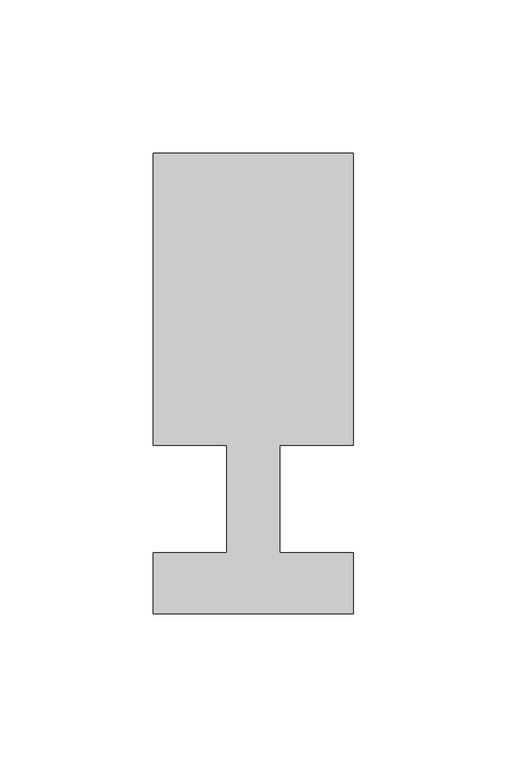
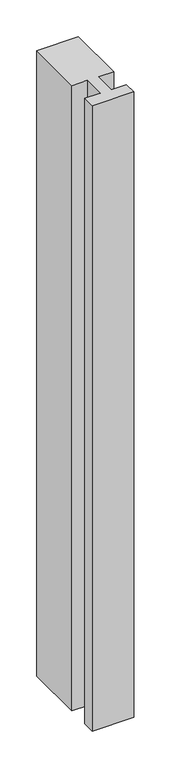
"""IFC4 building model written with IfcOpenShell, lengths in millimetres: member geometry."""

from ifc_helpers import new_model, si_unit, frame, origin, place, context, project, spatial, polyline, outline, extrude, source, transform, mapped, element, save


def member_d15a1fa9(model_context):
    return source(origin(), model_context, "Body", "SweptSolid", [
        extrude(outline(polyline([(0.0, -37.0), (-65.0, -37.0), (-65.0, -17.0), (-41.1875, -17.0), (-41.1875, 18.0), (-65.0, 18.0), (-65.0, 113.0), (0.0, 113.0), (0.0, 18.0), (-23.8125, 18.0), (-23.8125, -17.0), (0.0, -17.0), (0.0, -37.0)])), frame((0.0, 0.0, -1034.0982143), z_axis=(0.0, 0.0, 1.0), x_axis=(1.0, 0.0, 0.0)), (0.0, 0.0, 1.0), 1034.0982143),
    ])


if __name__ == "__main__":
    model = new_model("IFC4")
    model_context = context("Model", 3, world=origin())
    ifc_project = project(units=[si_unit("LENGTHUNIT", "METRE", prefix="MILLI")], contexts=[model_context])
    site = spatial("IfcSite", under=ifc_project)
    building = spatial("IfcBuilding", under=site)
    placement = place(None, origin())
    member_shape = member_d15a1fa9(model_context)
    element("IfcMember", 1, at=placement, inside=building, context=model_context, shape_type="MappedRepresentation", body=[
        mapped(member_shape, transform((0.0, 0.0, 0.0), x_axis=(1.0, 0.0, 0.0), y_axis=(0.0, 1.0, 0.0), z_axis=(0.0, 0.0, 1.0))),
    ])
    save(model, "model.ifc")
